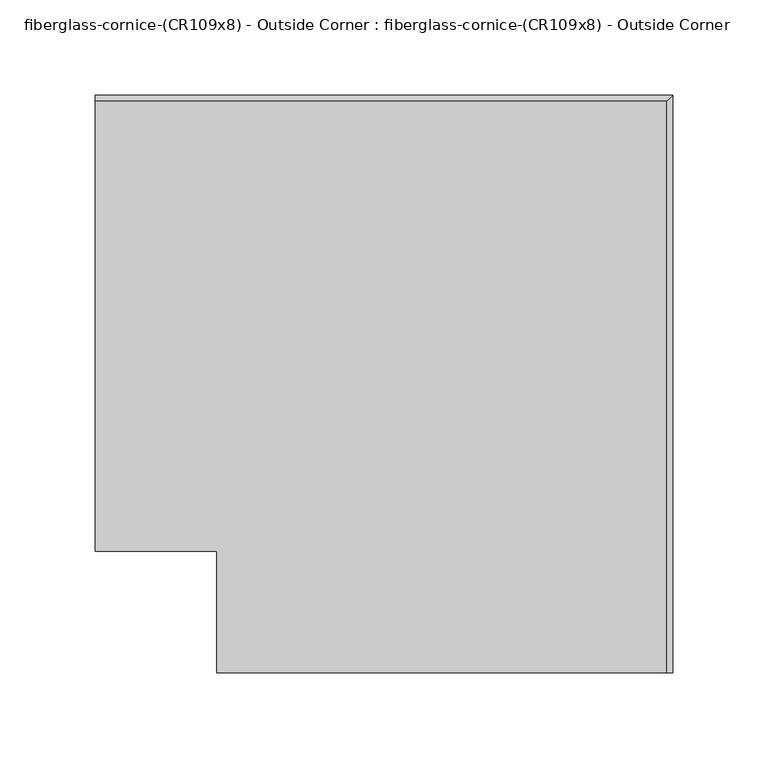
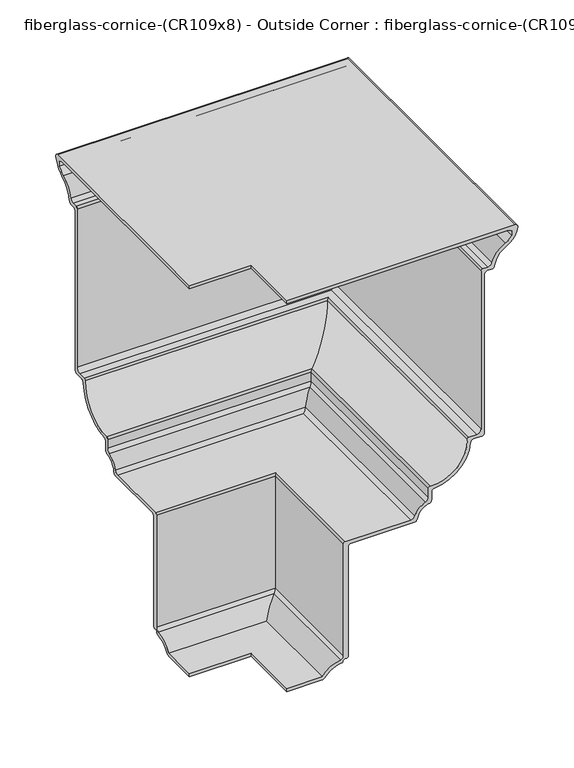
"""IFC4 building model written with IfcOpenShell, lengths in millimetres: furniture geometry, fiberglass-cornice-(CR109x8) - Outside Corner : fiberglass-cornice-(CR109x8) - Outside Corner."""

from ifc_helpers import new_model, si_unit, frame, origin, place, context, project, spatial, polyline, circle_curve, ellipse_curve, source, transform, mapped, element, save
from ifc_brep_helpers import plane_surface, cylinder_surface, revolved_surface, advanced_brep


def fiberglass_cornice_cr109x8_outside_corner_fiberglass_cornice_5d66f3e0(model_context):
    return source(origin(), model_context, "Body", "AdvancedBrep", [
        advanced_brep(
        [(-196.9488213, 101.6, 330.1999904), (-196.9488213, 337.5936981, 330.1999904), (-196.9488213, 340.704306, 326.4317504), (-196.9488213, 329.0690578, 310.4524332), (-196.9488213, 316.4333505, 293.0594054), (-196.9488213, 313.2980899, 290.3851709), (-196.9488213, 309.251462, 290.3851606), (-196.9488213, 306.0683895, 287.2101709), (-196.9488213, 306.0682503, 114.5703226), (-196.9488213, 302.9001636, 111.4250608), (-196.9488213, 294.7724548, 111.4250608), (-196.9488213, 291.6074181, 108.502199), (-196.9488213, 254.3535995, 71.7000635), (-196.9488213, 251.3921944, 68.5105201), (-196.9488213, 251.3921944, 60.0647517), (-196.9488213, 248.7930949, 56.9424353), (-196.9488213, 236.7130273, 44.5595221), (-196.9488213, 233.5774063, 41.8830253), (-196.9488213, 168.3820008, 41.8830253), (-196.9488213, 165.2072159, 38.6710672), (-196.9488213, 165.2072159, -80.7520933), (-196.9488213, 163.6206151, -82.3395923), (-196.9488213, 161.4803957, -82.3395923), (-196.9488213, 159.8919814, -83.9885744), (-196.9488213, 158.4675566, -85.6292824), (-196.9488213, 141.1346308, -95.8419813), (-196.9488213, 138.5287162, -97.2031914), (-196.9488213, 101.6, -97.2031914), (-196.9488213, 101.6, -93.7106914), (-196.9488213, 138.3634782, -93.7106914), (-196.9488213, 157.5332035, -82.2204248), (-196.9488213, 160.3944984, -78.7939943), (-196.9488213, 160.3944984, 43.4705205), (-196.9488213, 162.2995165, 45.3755253), (-196.9488213, 229.8973546, 45.3755297), (-196.9488213, 234.0837271, 48.3440768), (-196.9488213, 245.0169938, 59.5045897), (-196.9488213, 247.89962, 63.6659613), (-196.9488213, 247.899839, 73.2126254), (-196.9488213, 249.8963796, 75.1443007), (-196.9488213, 288.2197195, 112.9468366), (-196.9488213, 290.1271402, 114.9175502), (-196.9488213, 298.1308189, 114.9175502), (-196.9488213, 302.5758895, 119.3625536), (-196.9488213, 302.5758949, 291.977227), (-196.9488213, 304.4761467, 293.877665), (-196.9488213, 309.5062462, 293.877665), (-196.9488213, 313.7678753, 297.058719), (-196.9488213, 327.4334153, 313.5386179), (-196.9488213, 334.2664711, 319.778644), (-196.9488213, 330.5802161, 326.7075017), (-196.9488213, 101.6, 326.7075159), (-133.3496026, 38.0007813, 330.1999904), (-133.3496026, 38.0007813, 326.7075159), (95.6304618, 38.0007813, 326.7075159), (99.3168685, 38.0007813, 319.778644), (92.4838127, 38.0007813, 313.5386179), (78.8182727, 38.0007813, 297.058719), (74.5567647, 38.0007813, 293.8776709), (69.5265441, 38.0007813, 293.877665), (67.6262923, 38.0007813, 291.977227), (67.6262923, 38.0007813, 119.3625517), (63.1812869, 38.0007813, 114.9175536), (55.1775376, 38.0007813, 114.9175502), (53.2701169, 38.0007813, 112.9468366), (14.946777, 38.0007813, 75.1443007), (12.9502364, 38.0007813, 73.2126254), (12.9502364, 38.0007813, 63.66596), (10.0673912, 38.0007813, 59.5045897), (-0.8658755, 38.0007813, 48.3440768), (-5.052248, 38.0007813, 45.3755297), (-72.6501397, 38.0007813, 45.3755297), (-74.5550861, 38.0007813, 43.4705253), (-74.5551042, 38.0007813, -78.7939943), (-77.4163991, 38.0007813, -82.2204248), (-96.5861244, 38.0007813, -93.7106914), (-133.3496026, 38.0007813, -93.7106914), (-133.3496026, 38.0007813, -97.2031914), (-96.4208864, 38.0007813, -97.2031914), (-93.8149718, 38.0007813, -95.8419813), (-76.482046, 38.0007813, -85.6292824), (-75.0576212, 38.0007813, -83.9885744), (-73.4692069, 38.0007813, -82.3395923), (-71.3289875, 38.0007813, -82.3395923), (-69.7426018, 38.0007813, -80.7520927), (-69.7423867, 38.0007813, 38.6710672), (-66.5676018, 38.0007813, 41.8830253), (-1.3721963, 38.0007813, 41.8830253), (1.7634247, 38.0007813, 44.5595221), (13.8434923, 38.0007813, 56.9424353), (16.4425174, 38.0007813, 60.0647546), (16.4425918, 38.0007813, 68.5105201), (19.4039969, 38.0007813, 71.7000635), (56.6578155, 38.0007813, 108.502199), (59.8227875, 38.0007813, 111.4250536), (67.950561, 38.0007813, 111.4250608), (71.1186477, 38.0007813, 114.5703226), (71.1186477, 38.0007813, 287.2101702), (74.3018594, 38.0007813, 290.3851606), (78.3484527, 38.0007813, 290.3851606), (81.4837479, 38.0007813, 293.0594054), (94.1194552, 38.0007813, 310.4524332), (105.7547034, 38.0007813, 326.4317504), (102.6440955, 38.0007813, 330.1999904), (-133.3496026, 101.6, 330.1999904), (102.6440955, 337.5936981, 330.1999904), (105.7547034, 340.704306, 326.4317504), (94.1194552, 329.0690578, 310.4524332), (81.4837479, 316.4333505, 293.0594054), (78.3484873, 313.2980899, 290.3851709), (74.3018594, 309.251462, 290.3851606), (71.1187869, 306.0683895, 287.2101709), (71.1186477, 306.0682503, 114.5703226), (67.950561, 302.9001636, 111.4250608), (59.8227875, 294.7723901, 111.4250608), (56.6578155, 291.6074181, 108.502199), (19.4039969, 254.3535995, 71.7000635), (16.4425918, 251.3921944, 68.5105201), (16.4425918, 251.3921944, 60.0647517), (13.8434923, 248.7930949, 56.9424353), (1.7634247, 236.7130273, 44.5595221), (-1.3721963, 233.5774063, 41.8830253), (-66.5676018, 168.3820008, 41.8830253), (-69.7423867, 165.2072159, 38.6710672), (-69.7423867, 165.2072159, -80.7520933), (-71.3289875, 163.6206151, -82.3395923), (-73.4692069, 161.4803957, -82.3395923), (-75.0576212, 159.8919814, -83.9885744), (-76.482046, 158.4675566, -85.6292824), (-93.8149718, 141.1346308, -95.8419813), (-96.4208864, 138.5287162, -97.2031914), (-133.3496026, 101.6, -97.2031914), (-133.3496026, 101.6, -93.7106914), (-96.5861244, 138.3634782, -93.7106914), (-77.4163991, 157.5332035, -82.2204248), (-74.5551042, 160.3944984, -78.7939943), (-74.5551042, 160.3944984, 43.4705205), (-72.6500861, 162.2995165, 45.3755253), (-5.052248, 229.8973546, 45.3755297), (-0.8658755, 234.0837271, 48.3440768), (10.0673912, 245.0169938, 59.5045897), (12.9500174, 247.89962, 63.6659613), (12.9502364, 247.899839, 73.2126254), (14.946777, 249.8963796, 75.1443007), (53.2701169, 288.2197195, 112.9468366), (55.1775376, 290.1271402, 114.9175502), (63.1812869, 298.1308895, 114.9175502), (67.6262869, 302.5758895, 119.3625536), (67.6262923, 302.5758949, 291.977227), (69.5265441, 304.4761467, 293.877665), (74.5567647, 309.5063673, 293.877665), (78.8182727, 313.7678753, 297.058719), (92.4838127, 327.4334153, 313.5386179), (99.3168685, 334.2664711, 319.778644), (95.6306135, 330.5802161, 326.7075017), (-133.3496026, 101.6, 326.7075159)],
        [
            (0, 1),
            (1, 2, circle_curve(frame((-196.9488213, 337.5852232, 327.0250017), z_axis=(-1.0, 0.0, 0.0), x_axis=(0.0, 1.0, 0.0)), 3.175)),
            (2, 3, circle_curve(frame((-196.9488213, 317.9775256, 330.754397), z_axis=(-1.0, 0.0, 0.0), x_axis=(0.0, 1.0, 0.0)), 23.1342132)),
            (3, 4, circle_curve(frame((-196.9488213, 339.8759019, 289.3151486), z_axis=(1.0, 0.0, 0.0), x_axis=(0.0, 1.0, 0.0)), 23.7396857)),
            (4, 5, circle_curve(frame((-196.9488213, 313.2980899, 293.5601709), z_axis=(-1.0, 0.0, 0.0), x_axis=(0.0, 1.0, 0.0)), 3.175)),
            (5, 6),
            (6, 7, circle_curve(frame((-196.9488213, 309.2433895, 287.2101709), z_axis=(1.0, 0.0, 0.0), x_axis=(0.0, 1.0, 0.0)), 3.175)),
            (7, 8),
            (8, 9, circle_curve(frame((-196.9488213, 302.8933895, 114.6000536), z_axis=(-1.0, 0.0, 0.0), x_axis=(0.0, 1.0, 0.0)), 3.175)),
            (9, 10),
            (10, 11, circle_curve(frame((-196.9488213, 294.7723901, 108.2500536), z_axis=(1.0, 0.0, 0.0), x_axis=(0.0, 1.0, 0.0)), 3.175)),
            (11, 12, circle_curve(frame((-196.9488213, 251.658501, 111.6848301), z_axis=(-1.0, 0.0, 0.0), x_axis=(0.0, 1.0, 0.0)), 40.0754927)),
            (12, 13, circle_curve(frame((-196.9488213, 254.56712, 68.5322513), z_axis=(1.0, 0.0, 0.0), x_axis=(0.0, 1.0, 0.0)), 3.175)),
            (13, 14),
            (14, 15, circle_curve(frame((-196.9488213, 248.21712, 60.0647546), z_axis=(-1.0, 0.0, 0.0), x_axis=(0.0, 1.0, 0.0)), 3.175)),
            (15, 16, circle_curve(frame((-196.9488213, 251.5113672, 42.2068722), z_axis=(1.0, 0.0, 0.0), x_axis=(0.0, 1.0, 0.0)), 14.9841858)),
            (16, 17, circle_curve(frame((-196.9488213, 233.5774063, 45.0580253), z_axis=(-1.0, 0.0, 0.0), x_axis=(0.0, 1.0, 0.0)), 3.175)),
            (17, 18),
            (18, 19, circle_curve(frame((-196.9488213, 168.3820008, 38.7080253), z_axis=(1.0, 0.0, 0.0), x_axis=(0.0, 1.0, 0.0)), 3.175)),
            (19, 20),
            (20, 21, circle_curve(frame((-196.9488213, 163.6195008, -80.7520927), z_axis=(-1.0, 0.0, 0.0), x_axis=(0.0, 1.0, 0.0)), 1.5875)),
            (21, 22),
            (22, 23, circle_curve(frame((-196.9488213, 161.4782903, -83.9270909), z_axis=(1.0, 0.0, 0.0), x_axis=(0.0, 1.0, 0.0)), 1.5875)),
            (23, 24, circle_curve(frame((-196.9488213, 158.3056724, -84.050058), z_axis=(-1.0, 0.0, 0.0), x_axis=(0.0, 1.0, 0.0)), 1.5875)),
            (24, 25, circle_curve(frame((-196.9488213, 160.9265808, -109.6177358), z_axis=(1.0, 0.0, 0.0), x_axis=(0.0, 1.0, 0.0)), 24.1141597)),
            (25, 26, circle_curve(frame((-196.9488213, 138.5287162, -94.0281914), z_axis=(-1.0, 0.0, 0.0), x_axis=(0.0, 1.0, 0.0)), 3.175)),
            (26, 27),
            (27, 28),
            (28, 29),
            (29, 30, circle_curve(frame((-196.9488213, 160.9265808, -109.6177358), z_axis=(-1.0, 0.0, 0.0), x_axis=(0.0, 1.0, 0.0)), 27.6066597)),
            (30, 31, circle_curve(frame((-196.9488213, 156.8988131, -78.7827671), z_axis=(1.0, 0.0, 0.0), x_axis=(0.0, 1.0, 0.0)), 3.4957034)),
            (31, 32),
            (32, 33, circle_curve(frame((-196.9488213, 162.2995165, 43.4705253), z_axis=(-1.0, 0.0, 0.0), x_axis=(0.0, 1.0, 0.0)), 1.905)),
            (33, 34),
            (34, 35, circle_curve(frame((-196.9488213, 229.8910997, 49.8205253), z_axis=(1.0, 0.0, 0.0), x_axis=(0.0, 1.0, 0.0)), 4.445)),
            (35, 36, circle_curve(frame((-196.9488213, 251.5113672, 42.2068722), z_axis=(-1.0, 0.0, 0.0), x_axis=(0.0, 1.0, 0.0)), 18.4766858)),
            (36, 37, circle_curve(frame((-196.9488213, 243.45462, 63.6659613), z_axis=(1.0, 0.0, 0.0), x_axis=(0.0, 1.0, 0.0)), 4.445)),
            (37, 38),
            (38, 39, circle_curve(frame((-196.9488213, 249.80462, 73.2415119), z_axis=(-1.0, 0.0, 0.0), x_axis=(0.0, 1.0, 0.0)), 1.905)),
            (39, 40, circle_curve(frame((-196.9488213, 251.658501, 111.6848301), z_axis=(1.0, 0.0, 0.0), x_axis=(0.0, 1.0, 0.0)), 36.5829927)),
            (40, 41, circle_curve(frame((-196.9488213, 290.1235856, 113.0125536), z_axis=(-1.0, 0.0, 0.0), x_axis=(0.0, 1.0, 0.0)), 1.905)),
            (41, 42),
            (42, 43, circle_curve(frame((-196.9488213, 298.1308895, 119.3625536), z_axis=(1.0, 0.0, 0.0), x_axis=(0.0, 1.0, 0.0)), 4.445)),
            (43, 44),
            (44, 45, circle_curve(frame((-196.9488213, 304.4808895, 291.9726709), z_axis=(-1.0, 0.0, 0.0), x_axis=(0.0, 1.0, 0.0)), 1.905)),
            (45, 46),
            (46, 47, circle_curve(frame((-196.9488213, 309.5063673, 298.3226709), z_axis=(1.0, 0.0, 0.0), x_axis=(0.0, 1.0, 0.0)), 4.445)),
            (47, 48, circle_curve(frame((-196.9488213, 339.8759019, 289.3151486), z_axis=(-1.0, 0.0, 0.0), x_axis=(0.0, 1.0, 0.0)), 27.2321857)),
            (48, 49, circle_curve(frame((-196.9488213, 317.9775256, 330.754397), z_axis=(1.0, 0.0, 0.0), x_axis=(0.0, 1.0, 0.0)), 19.6417132)),
            (49, 50, circle_curve(frame((-196.9488213, 330.5802161, 322.2625017), z_axis=(1.0, 0.0, 0.0), x_axis=(0.0, 1.0, 0.0)), 4.445)),
            (50, 51),
            (51, 0),
            (52, 53),
            (53, 54),
            (54, 55, circle_curve(frame((95.6306135, 38.0007813, 322.2625017), z_axis=(0.0, 1.0, 0.0), x_axis=(1.0, 0.0, 0.0)), 4.445)),
            (55, 56, circle_curve(frame((83.027923, 38.0007813, 330.754397), z_axis=(0.0, 1.0, 0.0), x_axis=(1.0, 0.0, 0.0)), 19.6417132)),
            (56, 57, circle_curve(frame((104.9262993, 38.0007813, 289.3151486), z_axis=(0.0, -1.0, 0.0), x_axis=(1.0, 0.0, 0.0)), 27.2321857)),
            (57, 58, circle_curve(frame((74.5567647, 38.0007813, 298.3226709), z_axis=(0.0, 1.0, 0.0), x_axis=(1.0, 0.0, 0.0)), 4.445)),
            (58, 59),
            (59, 60, circle_curve(frame((69.5312869, 38.0007813, 291.9726709), z_axis=(0.0, -1.0, 0.0), x_axis=(1.0, 0.0, 0.0)), 1.905)),
            (60, 61),
            (61, 62, circle_curve(frame((63.1812869, 38.0007813, 119.3625536), z_axis=(0.0, 1.0, 0.0), x_axis=(1.0, 0.0, 0.0)), 4.445)),
            (62, 63),
            (63, 64, circle_curve(frame((55.173983, 38.0007813, 113.0125536), z_axis=(0.0, -1.0, 0.0), x_axis=(1.0, 0.0, 0.0)), 1.905)),
            (64, 65, circle_curve(frame((16.7088984, 38.0007813, 111.6848301), z_axis=(0.0, 1.0, 0.0), x_axis=(1.0, 0.0, 0.0)), 36.5829927)),
            (65, 66, circle_curve(frame((14.8550174, 38.0007813, 73.2415119), z_axis=(0.0, -1.0, 0.0), x_axis=(1.0, 0.0, 0.0)), 1.905)),
            (66, 67),
            (67, 68, circle_curve(frame((8.5050174, 38.0007813, 63.6659613), z_axis=(0.0, 1.0, 0.0), x_axis=(1.0, 0.0, 0.0)), 4.445)),
            (68, 69, circle_curve(frame((16.5617646, 38.0007813, 42.2068722), z_axis=(0.0, -1.0, 0.0), x_axis=(1.0, 0.0, 0.0)), 18.4766858)),
            (69, 70, circle_curve(frame((-5.0585029, 38.0007813, 49.8205253), z_axis=(0.0, 1.0, 0.0), x_axis=(1.0, 0.0, 0.0)), 4.445)),
            (70, 71),
            (71, 72, circle_curve(frame((-72.6500861, 38.0007813, 43.4705253), z_axis=(0.0, -1.0, 0.0), x_axis=(1.0, 0.0, 0.0)), 1.905)),
            (72, 73),
            (73, 74, circle_curve(frame((-78.0507895, 38.0007813, -78.7827671), z_axis=(0.0, 1.0, 0.0), x_axis=(1.0, 0.0, 0.0)), 3.4957034)),
            (74, 75, circle_curve(frame((-74.0230218, 38.0007813, -109.6177358), z_axis=(0.0, -1.0, 0.0), x_axis=(1.0, 0.0, 0.0)), 27.6066597)),
            (75, 76),
            (76, 77),
            (77, 78),
            (78, 79, circle_curve(frame((-96.4208864, 38.0007813, -94.0281914), z_axis=(0.0, -1.0, 0.0), x_axis=(1.0, 0.0, 0.0)), 3.175)),
            (79, 80, circle_curve(frame((-74.0230218, 38.0007813, -109.6177358), z_axis=(0.0, 1.0, 0.0), x_axis=(1.0, 0.0, 0.0)), 24.1141597)),
            (80, 81, circle_curve(frame((-76.6439302, 38.0007813, -84.050058), z_axis=(0.0, -1.0, 0.0), x_axis=(1.0, 0.0, 0.0)), 1.5875)),
            (81, 82, circle_curve(frame((-73.4713123, 38.0007813, -83.9270909), z_axis=(0.0, 1.0, 0.0), x_axis=(1.0, 0.0, 0.0)), 1.5875)),
            (82, 83),
            (83, 84, circle_curve(frame((-71.3301018, 38.0007813, -80.7520927), z_axis=(0.0, -1.0, 0.0), x_axis=(1.0, 0.0, 0.0)), 1.5875)),
            (84, 85),
            (85, 86, circle_curve(frame((-66.5676018, 38.0007813, 38.7080253), z_axis=(0.0, 1.0, 0.0), x_axis=(1.0, 0.0, 0.0)), 3.175)),
            (86, 87),
            (87, 88, circle_curve(frame((-1.3721963, 38.0007813, 45.0580253), z_axis=(0.0, -1.0, 0.0), x_axis=(1.0, 0.0, 0.0)), 3.175)),
            (88, 89, circle_curve(frame((16.5617646, 38.0007813, 42.2068722), z_axis=(0.0, 1.0, 0.0), x_axis=(1.0, 0.0, 0.0)), 14.9841858)),
            (89, 90, circle_curve(frame((13.2675174, 38.0007813, 60.0647546), z_axis=(0.0, -1.0, 0.0), x_axis=(1.0, 0.0, 0.0)), 3.175)),
            (90, 91),
            (91, 92, circle_curve(frame((19.6175174, 38.0007813, 68.5322513), z_axis=(0.0, 1.0, 0.0), x_axis=(1.0, 0.0, 0.0)), 3.175)),
            (92, 93, circle_curve(frame((16.7088984, 38.0007813, 111.6848301), z_axis=(0.0, -1.0, 0.0), x_axis=(1.0, 0.0, 0.0)), 40.0754927)),
            (93, 94, circle_curve(frame((59.8227875, 38.0007813, 108.2500536), z_axis=(0.0, 1.0, 0.0), x_axis=(1.0, 0.0, 0.0)), 3.175)),
            (94, 95),
            (95, 96, circle_curve(frame((67.9437869, 38.0007813, 114.6000536), z_axis=(0.0, -1.0, 0.0), x_axis=(1.0, 0.0, 0.0)), 3.175)),
            (96, 97),
            (97, 98, circle_curve(frame((74.2937869, 38.0007813, 287.2101709), z_axis=(0.0, 1.0, 0.0), x_axis=(1.0, 0.0, 0.0)), 3.175)),
            (98, 99),
            (99, 100, circle_curve(frame((78.3484873, 38.0007813, 293.5601709), z_axis=(0.0, -1.0, 0.0), x_axis=(1.0, 0.0, 0.0)), 3.175)),
            (100, 101, circle_curve(frame((104.9262993, 38.0007813, 289.3151486), z_axis=(0.0, 1.0, 0.0), x_axis=(1.0, 0.0, 0.0)), 23.7396857)),
            (101, 102, circle_curve(frame((83.027923, 38.0007813, 330.754397), z_axis=(0.0, -1.0, 0.0), x_axis=(1.0, 0.0, 0.0)), 23.1342132)),
            (102, 103, circle_curve(frame((102.6356206, 38.0007813, 327.0250017), z_axis=(0.0, -1.0, 0.0), x_axis=(1.0, 0.0, 0.0)), 3.175)),
            (103, 52),
            (0, 104),
            (104, 52),
            (103, 105),
            (105, 1),
            (105, 106, ellipse_curve(frame((102.6356206, 337.5852232, 327.0250017), z_axis=(-0.7071067811865563, 0.7071067811865387, 0.0), x_axis=(-0.7071067811865387, -0.7071067811865565, 0.0)), 4.4901281, 3.175)),
            (106, 2),
            (106, 107, ellipse_curve(frame((83.027923, 317.9775256, 330.754397), z_axis=(-0.7071067811865563, 0.7071067811865387, 0.0), x_axis=(-0.7071067811865387, -0.7071067811865565, 0.0)), 32.7167181, 23.1342132)),
            (107, 3),
            (107, 108, ellipse_curve(frame((104.9262993, 339.8759019, 289.3151486), z_axis=(0.7071067811865563, -0.7071067811865387, 0.0), x_axis=(0.7071067811865387, 0.7071067811865565, 0.0)), 33.5729855, 23.7396857)),
            (108, 4),
            (108, 109, ellipse_curve(frame((78.3484873, 313.2980899, 293.5601709), z_axis=(-0.7071067811865563, 0.7071067811865387, 0.0), x_axis=(-0.7071067811865387, -0.7071067811865565, 0.0)), 4.4901281, 3.175)),
            (109, 5),
            (109, 99),
            (98, 110),
            (110, 6),
            (110, 111, ellipse_curve(frame((74.2937869, 309.2433895, 287.2101709), z_axis=(0.7071067811865563, -0.7071067811865387, 0.0), x_axis=(0.7071067811865387, 0.7071067811865565, 0.0)), 4.4901281, 3.175)),
            (111, 7),
            (111, 112),
            (112, 8),
            (112, 113, ellipse_curve(frame((67.9437869, 302.8933895, 114.6000536), z_axis=(-0.7071067811865563, 0.7071067811865387, 0.0), x_axis=(-0.7071067811865387, -0.7071067811865565, 0.0)), 4.4901281, 3.175)),
            (113, 9),
            (113, 95),
            (94, 114),
            (114, 10),
            (114, 115, ellipse_curve(frame((59.8227875, 294.7723901, 108.2500536), z_axis=(0.7071067811865563, -0.7071067811865387, 0.0), x_axis=(0.7071067811865387, 0.7071067811865565, 0.0)), 4.4901281, 3.175)),
            (115, 11),
            (115, 116, ellipse_curve(frame((16.7088984, 251.658501, 111.6848301), z_axis=(-0.7071067811865563, 0.7071067811865387, 0.0), x_axis=(-0.7071067811865387, -0.7071067811865565, 0.0)), 56.6753053, 40.0754927)),
            (116, 12),
            (116, 117, ellipse_curve(frame((19.6175174, 254.56712, 68.5322513), z_axis=(0.7071067811865563, -0.7071067811865387, 0.0), x_axis=(0.7071067811865387, 0.7071067811865565, 0.0)), 4.4901281, 3.175)),
            (117, 13),
            (117, 118),
            (118, 14),
            (118, 119, ellipse_curve(frame((13.2675174, 248.21712, 60.0647546), z_axis=(-0.7071067811865563, 0.7071067811865387, 0.0), x_axis=(-0.7071067811865387, -0.7071067811865565, 0.0)), 4.4901281, 3.175)),
            (119, 15),
            (119, 120, ellipse_curve(frame((16.5617646, 251.5113672, 42.2068722), z_axis=(0.7071067811865563, -0.7071067811865387, 0.0), x_axis=(0.7071067811865387, 0.7071067811865565, 0.0)), 21.1908387, 14.9841858)),
            (120, 16),
            (120, 121, ellipse_curve(frame((-1.3721963, 233.5774063, 45.0580253), z_axis=(-0.7071067811865563, 0.7071067811865387, 0.0), x_axis=(-0.7071067811865387, -0.7071067811865565, 0.0)), 4.4901281, 3.175)),
            (121, 17),
            (121, 87),
            (86, 122),
            (122, 18),
            (122, 123, ellipse_curve(frame((-66.5676018, 168.3820008, 38.7080253), z_axis=(0.7071067811865563, -0.7071067811865387, 0.0), x_axis=(0.7071067811865387, 0.7071067811865565, 0.0)), 4.4901281, 3.175)),
            (123, 19),
            (123, 124),
            (124, 20),
            (124, 125, ellipse_curve(frame((-71.3301018, 163.6195008, -80.7520927), z_axis=(-0.7071067811865563, 0.7071067811865387, 0.0), x_axis=(-0.7071067811865387, -0.7071067811865565, 0.0)), 2.245064, 1.5875)),
            (125, 21),
            (125, 83),
            (82, 126),
            (126, 22),
            (126, 127, ellipse_curve(frame((-73.4713123, 161.4782903, -83.9270909), z_axis=(0.7071067811865563, -0.7071067811865387, 0.0), x_axis=(0.7071067811865387, 0.7071067811865565, 0.0)), 2.245064, 1.5875)),
            (127, 23),
            (127, 128, ellipse_curve(frame((-76.6439302, 158.3056724, -84.050058), z_axis=(-0.7071067811865563, 0.7071067811865387, 0.0), x_axis=(-0.7071067811865387, -0.7071067811865565, 0.0)), 2.245064, 1.5875)),
            (128, 24),
            (128, 129, ellipse_curve(frame((-74.0230218, 160.9265808, -109.6177358), z_axis=(0.7071067811865563, -0.7071067811865387, 0.0), x_axis=(0.7071067811865387, 0.7071067811865565, 0.0)), 34.1025717, 24.1141597)),
            (129, 25),
            (129, 130, ellipse_curve(frame((-96.4208864, 138.5287162, -94.0281914), z_axis=(-0.7071067811865563, 0.7071067811865387, 0.0), x_axis=(-0.7071067811865387, -0.7071067811865565, 0.0)), 4.4901281, 3.175)),
            (130, 26),
            (130, 78),
            (77, 131),
            (131, 27),
            (131, 132),
            (132, 28),
            (132, 76),
            (75, 133),
            (133, 29),
            (133, 134, ellipse_curve(frame((-74.0230218, 160.9265808, -109.6177358), z_axis=(-0.7071067811865563, 0.7071067811865387, 0.0), x_axis=(-0.7071067811865387, -0.7071067811865565, 0.0)), 39.0417125, 27.6066597)),
            (134, 30),
            (134, 135, ellipse_curve(frame((-78.0507895, 156.8988131, -78.7827671), z_axis=(0.7071067811865563, -0.7071067811865387, 0.0), x_axis=(0.7071067811865387, 0.7071067811865565, 0.0)), 4.9436711, 3.4957034)),
            (135, 31),
            (135, 136),
            (136, 32),
            (136, 137, ellipse_curve(frame((-72.6500861, 162.2995165, 43.4705253), z_axis=(-0.7071067811865563, 0.7071067811865387, 0.0), x_axis=(-0.7071067811865387, -0.7071067811865565, 0.0)), 2.6940768, 1.905)),
            (137, 33),
            (137, 71),
            (70, 138),
            (138, 34),
            (138, 139, ellipse_curve(frame((-5.0585029, 229.8910997, 49.8205253), z_axis=(0.7071067811865563, -0.7071067811865387, 0.0), x_axis=(0.7071067811865387, 0.7071067811865565, 0.0)), 6.2861793, 4.445)),
            (139, 35),
            (139, 140, ellipse_curve(frame((16.5617646, 251.5113672, 42.2068722), z_axis=(-0.7071067811865563, 0.7071067811865387, 0.0), x_axis=(-0.7071067811865387, -0.7071067811865565, 0.0)), 26.1299796, 18.4766858)),
            (140, 36),
            (140, 141, ellipse_curve(frame((8.5050174, 243.45462, 63.6659613), z_axis=(0.7071067811865563, -0.7071067811865387, 0.0), x_axis=(0.7071067811865387, 0.7071067811865565, 0.0)), 6.2861793, 4.445)),
            (141, 37),
            (141, 142),
            (142, 38),
            (142, 143, ellipse_curve(frame((14.8550174, 249.80462, 73.2415119), z_axis=(-0.7071067811865563, 0.7071067811865387, 0.0), x_axis=(-0.7071067811865387, -0.7071067811865565, 0.0)), 2.6940768, 1.905)),
            (143, 39),
            (143, 144, ellipse_curve(frame((16.7088984, 251.658501, 111.6848301), z_axis=(0.7071067811865563, -0.7071067811865387, 0.0), x_axis=(0.7071067811865387, 0.7071067811865565, 0.0)), 51.7361644, 36.5829927)),
            (144, 40),
            (144, 145, ellipse_curve(frame((55.173983, 290.1235856, 113.0125536), z_axis=(-0.7071067811865563, 0.7071067811865387, 0.0), x_axis=(-0.7071067811865387, -0.7071067811865565, 0.0)), 2.6940768, 1.905)),
            (145, 41),
            (145, 63),
            (62, 146),
            (146, 42),
            (146, 147, ellipse_curve(frame((63.1812869, 298.1308895, 119.3625536), z_axis=(0.7071067811865563, -0.7071067811865387, 0.0), x_axis=(0.7071067811865387, 0.7071067811865565, 0.0)), 6.2861793, 4.445)),
            (147, 43),
            (147, 148),
            (148, 44),
            (148, 149, ellipse_curve(frame((69.5312869, 304.4808895, 291.9726709), z_axis=(-0.7071067811865563, 0.7071067811865387, 0.0), x_axis=(-0.7071067811865387, -0.7071067811865565, 0.0)), 2.6940768, 1.905)),
            (149, 45),
            (149, 59),
            (58, 150),
            (150, 46),
            (150, 151, ellipse_curve(frame((74.5567647, 309.5063673, 298.3226709), z_axis=(0.7071067811865563, -0.7071067811865387, 0.0), x_axis=(0.7071067811865387, 0.7071067811865565, 0.0)), 6.2861793, 4.445)),
            (151, 47),
            (151, 152, ellipse_curve(frame((104.9262993, 339.8759019, 289.3151486), z_axis=(-0.7071067811865563, 0.7071067811865387, 0.0), x_axis=(-0.7071067811865387, -0.7071067811865565, 0.0)), 38.5121263, 27.2321857)),
            (152, 48),
            (152, 153, ellipse_curve(frame((83.027923, 317.9775256, 330.754397), z_axis=(0.7071067811865563, -0.7071067811865387, 0.0), x_axis=(0.7071067811865387, 0.7071067811865565, 0.0)), 27.7775772, 19.6417132)),
            (153, 49),
            (153, 154, ellipse_curve(frame((95.6306135, 330.5802161, 322.2625017), z_axis=(0.7071067811865563, -0.7071067811865387, 0.0), x_axis=(0.7071067811865387, 0.7071067811865565, 0.0)), 6.2861793, 4.445)),
            (154, 50),
            (154, 54),
            (53, 155),
            (155, 51),
            (155, 104),
            (102, 106),
            (101, 107),
            (100, 108),
            (97, 111),
            (96, 112),
            (93, 115),
            (92, 116),
            (91, 117),
            (90, 118),
            (89, 119),
            (88, 120),
            (85, 123),
            (84, 124),
            (81, 127),
            (80, 128),
            (79, 129),
            (74, 134),
            (73, 135),
            (72, 136),
            (69, 139),
            (68, 140),
            (67, 141),
            (66, 142),
            (65, 143),
            (64, 144),
            (61, 147),
            (60, 148),
            (57, 151),
            (56, 152),
            (55, 153),
        ],
        [
            plane_surface(frame((-196.9488213, 101.6, 330.1999904), z_axis=(-1.0, 0.0, 0.0), x_axis=(0.0, 0.0, 1.0))),
            plane_surface(frame((-133.3496026, 38.0007813, 330.1999904), z_axis=(0.0, -1.0, 0.0), x_axis=(0.0, 0.0, 1.0))),
            plane_surface(frame((-196.9488213, 101.6, 330.1999904), z_axis=(0.0, 0.0, 1.0), x_axis=(1.0, 0.0, 0.0))),
            cylinder_surface(frame((-196.9488213, 337.5852232, 327.0250017), z_axis=(-1.0, 0.0, 0.0), x_axis=(0.0, 1.0, 0.0)), 3.175),
            cylinder_surface(frame((-196.9488213, 317.9775256, 330.754397), z_axis=(-1.0, 0.0, 0.0), x_axis=(0.0, 1.0, 0.0)), 23.1342132),
            revolved_surface(polyline([(128.66598501172737, 363.61558759999997, 289.3151486), (-196.9488213, 363.61558759999997, 289.3151486)]), (-196.9488213, 339.8759019, 289.3151486), (1.0, 0.0, 0.0)),
            cylinder_surface(frame((-196.9488213, 313.2980899, 293.5601709), z_axis=(-1.0, 0.0, 0.0), x_axis=(0.0, 1.0, 0.0)), 3.175),
            plane_surface(frame((-196.9488213, 313.2980553, 290.3851606), z_axis=(0.0, 0.0, -1.0), x_axis=(1.0, 0.0, 0.0))),
            revolved_surface(polyline([(77.46878692790622, 312.4183895, 287.2101709), (-196.9488213, 312.4183895, 287.2101709)]), (-196.9488213, 309.2433895, 287.2101709), (1.0, 0.0, 0.0)),
            plane_surface(frame((-196.9488213, 306.0682503, 287.2101702), z_axis=(0.0, 1.0, 0.0), x_axis=(1.0, 0.0, 0.0))),
            cylinder_surface(frame((-196.9488213, 302.8933895, 114.6000536), z_axis=(-1.0, 0.0, 0.0), x_axis=(0.0, 1.0, 0.0)), 3.175),
            plane_surface(frame((-196.9488213, 302.9001636, 111.4250608), z_axis=(0.0, 0.0, -1.0), x_axis=(1.0, 0.0, 0.0))),
            revolved_surface(polyline([(62.99778752790618, 297.9473901, 108.2500536), (-196.9488213, 297.9473901, 108.2500536)]), (-196.9488213, 294.7723901, 108.2500536), (1.0, 0.0, 0.0)),
            cylinder_surface(frame((-196.9488213, 251.658501, 111.6848301), z_axis=(-1.0, 0.0, 0.0), x_axis=(0.0, 1.0, 0.0)), 40.0754927),
            revolved_surface(polyline([(22.792517427906233, 257.74212, 68.5322513), (-196.9488213, 257.74212, 68.5322513)]), (-196.9488213, 254.56712, 68.5322513), (1.0, 0.0, 0.0)),
            plane_surface(frame((-196.9488213, 251.3921944, 68.5105201), z_axis=(0.0, 1.0, 0.0), x_axis=(1.0, 0.0, 0.0))),
            cylinder_surface(frame((-196.9488213, 248.21712, 60.0647546), z_axis=(-1.0, 0.0, 0.0), x_axis=(0.0, 1.0, 0.0)), 3.175),
            revolved_surface(polyline([(31.545950343800143, 266.495553, 42.2068722), (-196.9488213, 266.495553, 42.2068722)]), (-196.9488213, 251.5113672, 42.2068722), (1.0, 0.0, 0.0)),
            cylinder_surface(frame((-196.9488213, 233.5774063, 45.0580253), z_axis=(-1.0, 0.0, 0.0), x_axis=(0.0, 1.0, 0.0)), 3.175),
            plane_surface(frame((-196.9488213, 233.5774063, 41.8830253), z_axis=(0.0, 0.0, -1.0), x_axis=(1.0, 0.0, 0.0))),
            revolved_surface(polyline([(-63.39260177209377, 171.5570008, 38.7080253), (-196.9488213, 171.5570008, 38.7080253)]), (-196.9488213, 168.3820008, 38.7080253), (1.0, 0.0, 0.0)),
            plane_surface(frame((-196.9488213, 165.2072159, 38.6710672), z_axis=(0.0, 1.0, 0.0), x_axis=(1.0, 0.0, 0.0))),
            cylinder_surface(frame((-196.9488213, 163.6195008, -80.7520927), z_axis=(-1.0, 0.0, 0.0), x_axis=(0.0, 1.0, 0.0)), 1.5875),
            plane_surface(frame((-196.9488213, 163.6206151, -82.3395923), z_axis=(0.0, 0.0, -1.0), x_axis=(1.0, 0.0, 0.0))),
            revolved_surface(polyline([(-71.88381232140222, 163.0657903, -83.9270909), (-196.9488213, 163.0657903, -83.9270909)]), (-196.9488213, 161.4782903, -83.9270909), (1.0, 0.0, 0.0)),
            cylinder_surface(frame((-196.9488213, 158.3056724, -84.050058), z_axis=(-1.0, 0.0, 0.0), x_axis=(0.0, 1.0, 0.0)), 1.5875),
            revolved_surface(polyline([(-49.90886209502986, 185.0407405, -109.6177358), (-196.9488213, 185.0407405, -109.6177358)]), (-196.9488213, 160.9265808, -109.6177358), (1.0, 0.0, 0.0)),
            cylinder_surface(frame((-196.9488213, 138.5287162, -94.0281914), z_axis=(-1.0, 0.0, 0.0), x_axis=(0.0, 1.0, 0.0)), 3.175),
            plane_surface(frame((-196.9488213, 138.5287162, -97.2031914), z_axis=(0.0, 0.0, -1.0), x_axis=(1.0, 0.0, 0.0))),
            plane_surface(frame((-196.9488213, 101.6, -97.2031914), z_axis=(0.0, -1.0, 0.0), x_axis=(1.0, 0.0, 0.0))),
            plane_surface(frame((-196.9488213, 101.6, -93.7106914), z_axis=(0.0, 0.0, 1.0), x_axis=(1.0, 0.0, 0.0))),
            cylinder_surface(frame((-196.9488213, 160.9265808, -109.6177358), z_axis=(-1.0, 0.0, 0.0), x_axis=(0.0, 1.0, 0.0)), 27.6066597),
            revolved_surface(polyline([(-74.55508614123409, 160.3945165, -78.7827671), (-196.9488213, 160.3945165, -78.7827671)]), (-196.9488213, 156.8988131, -78.7827671), (1.0, 0.0, 0.0)),
            plane_surface(frame((-196.9488213, 160.3944984, -78.7939943), z_axis=(0.0, -1.0, 0.0), x_axis=(1.0, 0.0, 0.0))),
            cylinder_surface(frame((-196.9488213, 162.2995165, 43.4705253), z_axis=(-1.0, 0.0, 0.0), x_axis=(0.0, 1.0, 0.0)), 1.905),
            plane_surface(frame((-196.9488213, 162.2994629, 45.3755297), z_axis=(0.0, 0.0, 1.0), x_axis=(1.0, 0.0, 0.0))),
            revolved_surface(polyline([(-0.6135028892155674, 234.3360997, 49.8205253), (-196.9488213, 234.3360997, 49.8205253)]), (-196.9488213, 229.8910997, 49.8205253), (1.0, 0.0, 0.0)),
            cylinder_surface(frame((-196.9488213, 251.5113672, 42.2068722), z_axis=(-1.0, 0.0, 0.0), x_axis=(0.0, 1.0, 0.0)), 18.4766858),
            revolved_surface(polyline([(12.950017410784454, 247.89962, 63.6659613), (-196.9488213, 247.89962, 63.6659613)]), (-196.9488213, 243.45462, 63.6659613), (1.0, 0.0, 0.0)),
            plane_surface(frame((-196.9488213, 247.899839, 63.66596), z_axis=(0.0, -1.0, 0.0), x_axis=(1.0, 0.0, 0.0))),
            cylinder_surface(frame((-196.9488213, 249.80462, 73.2415119), z_axis=(-1.0, 0.0, 0.0), x_axis=(0.0, 1.0, 0.0)), 1.905),
            revolved_surface(polyline([(53.291891079821596, 288.2414937, 111.6848301), (-196.9488213, 288.2414937, 111.6848301)]), (-196.9488213, 251.658501, 111.6848301), (1.0, 0.0, 0.0)),
            cylinder_surface(frame((-196.9488213, 290.1235856, 113.0125536), z_axis=(-1.0, 0.0, 0.0), x_axis=(0.0, 1.0, 0.0)), 1.905),
            plane_surface(frame((-196.9488213, 290.1271402, 114.9175502), z_axis=(0.0, 0.0, 1.0), x_axis=(1.0, 0.0, 0.0))),
            revolved_surface(polyline([(67.62628691078444, 302.5758895, 119.3625536), (-196.9488213, 302.5758895, 119.3625536)]), (-196.9488213, 298.1308895, 119.3625536), (1.0, 0.0, 0.0)),
            plane_surface(frame((-196.9488213, 302.5758949, 119.3625517), z_axis=(0.0, -1.0, 0.0), x_axis=(1.0, 0.0, 0.0))),
            cylinder_surface(frame((-196.9488213, 304.4808895, 291.9726709), z_axis=(-1.0, 0.0, 0.0), x_axis=(0.0, 1.0, 0.0)), 1.905),
            plane_surface(frame((-196.9488213, 304.4761467, 293.877665), z_axis=(0.0, 0.0, 1.0), x_axis=(1.0, 0.0, 0.0))),
            revolved_surface(polyline([(79.00176471078444, 313.9513673, 298.3226709), (-196.9488213, 313.9513673, 298.3226709)]), (-196.9488213, 309.5063673, 298.3226709), (1.0, 0.0, 0.0)),
            cylinder_surface(frame((-196.9488213, 339.8759019, 289.3151486), z_axis=(-1.0, 0.0, 0.0), x_axis=(0.0, 1.0, 0.0)), 27.2321857),
            revolved_surface(polyline([(102.66963620305259, 337.6192388, 330.754397), (-196.9488213, 337.6192388, 330.754397)]), (-196.9488213, 317.9775256, 330.754397), (1.0, 0.0, 0.0)),
            revolved_surface(polyline([(100.07561351078445, 335.02521609999997, 322.2625017), (-196.9488213, 335.02521609999997, 322.2625017)]), (-196.9488213, 330.5802161, 322.2625017), (1.0, 0.0, 0.0)),
            plane_surface(frame((-196.9488213, 330.5800644, 326.7075159), z_axis=(0.0, 0.0, -1.0), x_axis=(1.0, 0.0, 0.0))),
            plane_surface(frame((-196.9488213, 101.6, 326.7075159), z_axis=(0.0, -1.0, 0.0), x_axis=(1.0, 0.0, 0.0))),
            cylinder_surface(frame((102.6356206, 101.6, 327.0250017), z_axis=(0.0, 1.0, 0.0), x_axis=(1.0, 0.0, 0.0)), 3.175),
            cylinder_surface(frame((83.027923, 101.6, 330.754397), z_axis=(0.0, 1.0, 0.0), x_axis=(1.0, 0.0, 0.0)), 23.1342132),
            revolved_surface(polyline([(128.665985, 38.0007813, 289.3151486), (128.665985, 363.61558761172796, 289.3151486)]), (104.9262993, 101.6, 289.3151486), (0.0, -1.0, 0.0)),
            cylinder_surface(frame((78.3484873, 101.6, 293.5601709), z_axis=(0.0, 1.0, 0.0), x_axis=(1.0, 0.0, 0.0)), 3.175),
            revolved_surface(polyline([(77.4687869, 38.0007813, 287.2101709), (77.4687869, 312.4183895279063, 287.2101709)]), (74.2937869, 101.6, 287.2101709), (0.0, -1.0, 0.0)),
            plane_surface(frame((71.1186477, 306.0682503, 287.2101702), z_axis=(1.0, 0.0, 0.0), x_axis=(0.0, -1.0, 0.0))),
            cylinder_surface(frame((67.9437869, 101.6, 114.6000536), z_axis=(0.0, 1.0, 0.0), x_axis=(1.0, 0.0, 0.0)), 3.175),
            revolved_surface(polyline([(62.997787499999994, 38.0007813, 108.2500536), (62.997787499999994, 297.9473901279063, 108.2500536)]), (59.8227875, 101.6, 108.2500536), (0.0, -1.0, 0.0)),
            cylinder_surface(frame((16.7088984, 101.6, 111.6848301), z_axis=(0.0, 1.0, 0.0), x_axis=(1.0, 0.0, 0.0)), 40.0754927),
            revolved_surface(polyline([(22.7925174, 38.0007813, 68.5322513), (22.7925174, 257.7421200279063, 68.5322513)]), (19.6175174, 101.6, 68.5322513), (0.0, -1.0, 0.0)),
            plane_surface(frame((16.4425918, 251.3921944, 68.5105201), z_axis=(1.0, 0.0, 0.0), x_axis=(0.0, -1.0, 0.0))),
            cylinder_surface(frame((13.2675174, 101.6, 60.0647546), z_axis=(0.0, 1.0, 0.0), x_axis=(1.0, 0.0, 0.0)), 3.175),
            revolved_surface(polyline([(31.545950400000002, 38.0007813, 42.2068722), (31.545950400000002, 266.4955529438005, 42.2068722)]), (16.5617646, 101.6, 42.2068722), (0.0, -1.0, 0.0)),
            cylinder_surface(frame((-1.3721963, 101.6, 45.0580253), z_axis=(0.0, 1.0, 0.0), x_axis=(1.0, 0.0, 0.0)), 3.175),
            revolved_surface(polyline([(-63.39260180000001, 38.0007813, 38.7080253), (-63.39260180000001, 171.55700082790628, 38.7080253)]), (-66.5676018, 101.6, 38.7080253), (0.0, -1.0, 0.0)),
            plane_surface(frame((-69.7423867, 165.2072159, 38.6710672), z_axis=(1.0, 0.0, 0.0), x_axis=(0.0, -1.0, 0.0))),
            cylinder_surface(frame((-71.3301018, 101.6, -80.7520927), z_axis=(0.0, 1.0, 0.0), x_axis=(1.0, 0.0, 0.0)), 1.5875),
            revolved_surface(polyline([(-71.88381229999999, 38.0007813, -83.9270909), (-71.88381229999999, 163.0657902785978, -83.9270909)]), (-73.4713123, 101.6, -83.9270909), (0.0, -1.0, 0.0)),
            cylinder_surface(frame((-76.6439302, 101.6, -84.050058), z_axis=(0.0, 1.0, 0.0), x_axis=(1.0, 0.0, 0.0)), 1.5875),
            revolved_surface(polyline([(-49.90886209999999, 38.0007813, -109.6177358), (-49.90886209999999, 185.04074050497076, -109.6177358)]), (-74.0230218, 101.6, -109.6177358), (0.0, -1.0, 0.0)),
            cylinder_surface(frame((-96.4208864, 101.6, -94.0281914), z_axis=(0.0, 1.0, 0.0), x_axis=(1.0, 0.0, 0.0)), 3.175),
            plane_surface(frame((-133.3496026, 101.6, -97.2031914), z_axis=(-1.0, 0.0, 0.0), x_axis=(0.0, -1.0, 0.0))),
            cylinder_surface(frame((-74.0230218, 101.6, -109.6177358), z_axis=(0.0, 1.0, 0.0), x_axis=(1.0, 0.0, 0.0)), 27.6066597),
            revolved_surface(polyline([(-74.5550861, 38.0007813, -78.7827671), (-74.5550861, 160.39451645876602, -78.7827671)]), (-78.0507895, 101.6, -78.7827671), (0.0, -1.0, 0.0)),
            plane_surface(frame((-74.5551042, 160.3944984, -78.7939943), z_axis=(-1.0, 0.0, 0.0), x_axis=(0.0, -1.0, 0.0))),
            cylinder_surface(frame((-72.6500861, 101.6, 43.4705253), z_axis=(0.0, 1.0, 0.0), x_axis=(1.0, 0.0, 0.0)), 1.905),
            revolved_surface(polyline([(-0.6135028999999994, 38.0007813, 49.8205253), (-0.6135028999999994, 234.33609971078457, 49.8205253)]), (-5.0585029, 101.6, 49.8205253), (0.0, -1.0, 0.0)),
            cylinder_surface(frame((16.5617646, 101.6, 42.2068722), z_axis=(0.0, 1.0, 0.0), x_axis=(1.0, 0.0, 0.0)), 18.4766858),
            revolved_surface(polyline([(12.9500174, 38.0007813, 63.6659613), (12.9500174, 247.89962001078456, 63.6659613)]), (8.5050174, 101.6, 63.6659613), (0.0, -1.0, 0.0)),
            plane_surface(frame((12.9502364, 247.899839, 63.66596), z_axis=(-1.0, 0.0, 0.0), x_axis=(0.0, -1.0, 0.0))),
            cylinder_surface(frame((14.8550174, 101.6, 73.2415119), z_axis=(0.0, 1.0, 0.0), x_axis=(1.0, 0.0, 0.0)), 1.905),
            revolved_surface(polyline([(53.2918911, 38.0007813, 111.6848301), (53.2918911, 288.2414936798225, 111.6848301)]), (16.7088984, 101.6, 111.6848301), (0.0, -1.0, 0.0)),
            cylinder_surface(frame((55.173983, 101.6, 113.0125536), z_axis=(0.0, 1.0, 0.0), x_axis=(1.0, 0.0, 0.0)), 1.905),
            revolved_surface(polyline([(67.6262869, 38.0007813, 119.3625536), (67.6262869, 302.5758895107846, 119.3625536)]), (63.1812869, 101.6, 119.3625536), (0.0, -1.0, 0.0)),
            plane_surface(frame((67.6262923, 302.5758949, 119.3625517), z_axis=(-1.0, 0.0, 0.0), x_axis=(0.0, -1.0, 0.0))),
            cylinder_surface(frame((69.5312869, 101.6, 291.9726709), z_axis=(0.0, 1.0, 0.0), x_axis=(1.0, 0.0, 0.0)), 1.905),
            revolved_surface(polyline([(79.0017647, 38.0007813, 298.3226709), (79.0017647, 313.9513673107846, 298.3226709)]), (74.5567647, 101.6, 298.3226709), (0.0, -1.0, 0.0)),
            cylinder_surface(frame((104.9262993, 101.6, 289.3151486), z_axis=(0.0, 1.0, 0.0), x_axis=(1.0, 0.0, 0.0)), 27.2321857),
            revolved_surface(polyline([(102.6696362, 38.0007813, 330.754397), (102.6696362, 337.61923880305307, 330.754397)]), (83.027923, 101.6, 330.754397), (0.0, -1.0, 0.0)),
            revolved_surface(polyline([(100.0756135, 38.0007813, 322.2625017), (100.0756135, 335.0252161107845, 322.2625017)]), (95.6306135, 101.6, 322.2625017), (0.0, -1.0, 0.0)),
            plane_surface(frame((-133.3496026, 101.6, 326.7075159), z_axis=(-1.0, 0.0, 0.0), x_axis=(0.0, -1.0, 0.0))),
        ],
        [
            (0, [[1, 2, 3, 4, 5, 6, 7, 8, 9, 10, 11, 12, 13, 14, 15, 16, 17, 18, 19, 20, 21, 22, 23, 24, 25, 26, 27, 28, 29, 30, 31, 32, 33, 34, 35, 36, 37, 38, 39, 40, 41, 42, 43, 44, 45, 46, 47, 48, 49, 50, 51, 52]]),
            (1, [[53, 54, 55, 56, 57, 58, 59, 60, 61, 62, 63, 64, 65, 66, 67, 68, 69, 70, 71, 72, 73, 74, 75, 76, 77, 78, 79, 80, 81, 82, 83, 84, 85, 86, 87, 88, 89, 90, 91, 92, 93, 94, 95, 96, 97, 98, 99, 100, 101, 102, 103, 104]]),
            (2, [[-1, 105, 106, -104, 107, 108]]),
            (3, [[-2, -108, 109, 110]]),
            (4, [[-3, -110, 111, 112]]),
            (5, [[-4, -112, 113, 114]]),
            (6, [[-5, -114, 115, 116]]),
            (7, [[-6, -116, 117, -99, 118, 119]]),
            (8, [[-7, -119, 120, 121]]),
            (9, [[-8, -121, 122, 123]]),
            (10, [[-9, -123, 124, 125]]),
            (11, [[-10, -125, 126, -95, 127, 128]]),
            (12, [[-11, -128, 129, 130]]),
            (13, [[-12, -130, 131, 132]]),
            (14, [[-13, -132, 133, 134]]),
            (15, [[-14, -134, 135, 136]]),
            (16, [[-15, -136, 137, 138]]),
            (17, [[-16, -138, 139, 140]]),
            (18, [[-17, -140, 141, 142]]),
            (19, [[-18, -142, 143, -87, 144, 145]]),
            (20, [[-19, -145, 146, 147]]),
            (21, [[-20, -147, 148, 149]]),
            (22, [[-21, -149, 150, 151]]),
            (23, [[-22, -151, 152, -83, 153, 154]]),
            (24, [[-23, -154, 155, 156]]),
            (25, [[-24, -156, 157, 158]]),
            (26, [[-25, -158, 159, 160]]),
            (27, [[-26, -160, 161, 162]]),
            (28, [[-27, -162, 163, -78, 164, 165]]),
            (29, [[-28, -165, 166, 167]]),
            (30, [[-29, -167, 168, -76, 169, 170]]),
            (31, [[-30, -170, 171, 172]]),
            (32, [[-31, -172, 173, 174]]),
            (33, [[-32, -174, 175, 176]]),
            (34, [[-33, -176, 177, 178]]),
            (35, [[-34, -178, 179, -71, 180, 181]]),
            (36, [[-35, -181, 182, 183]]),
            (37, [[-36, -183, 184, 185]]),
            (38, [[-37, -185, 186, 187]]),
            (39, [[-38, -187, 188, 189]]),
            (40, [[-39, -189, 190, 191]]),
            (41, [[-40, -191, 192, 193]]),
            (42, [[-41, -193, 194, 195]]),
            (43, [[-42, -195, 196, -63, 197, 198]]),
            (44, [[-43, -198, 199, 200]]),
            (45, [[-44, -200, 201, 202]]),
            (46, [[-45, -202, 203, 204]]),
            (47, [[-46, -204, 205, -59, 206, 207]]),
            (48, [[-47, -207, 208, 209]]),
            (49, [[-48, -209, 210, 211]]),
            (50, [[-49, -211, 212, 213]]),
            (51, [[-50, -213, 214, 215]]),
            (52, [[-51, -215, 216, -54, 217, 218]]),
            (53, [[-52, -218, 219, -105]]),
            (54, [[-109, -107, -103, 220]]),
            (55, [[-111, -220, -102, 221]]),
            (56, [[-113, -221, -101, 222]]),
            (57, [[-115, -222, -100, -117]]),
            (58, [[-120, -118, -98, 223]]),
            (59, [[-122, -223, -97, 224]]),
            (60, [[-124, -224, -96, -126]]),
            (61, [[-129, -127, -94, 225]]),
            (62, [[-131, -225, -93, 226]]),
            (63, [[-133, -226, -92, 227]]),
            (64, [[-135, -227, -91, 228]]),
            (65, [[-137, -228, -90, 229]]),
            (66, [[-139, -229, -89, 230]]),
            (67, [[-141, -230, -88, -143]]),
            (68, [[-146, -144, -86, 231]]),
            (69, [[-148, -231, -85, 232]]),
            (70, [[-150, -232, -84, -152]]),
            (71, [[-155, -153, -82, 233]]),
            (72, [[-157, -233, -81, 234]]),
            (73, [[-159, -234, -80, 235]]),
            (74, [[-161, -235, -79, -163]]),
            (75, [[-166, -164, -77, -168]]),
            (76, [[-171, -169, -75, 236]]),
            (77, [[-173, -236, -74, 237]]),
            (78, [[-175, -237, -73, 238]]),
            (79, [[-177, -238, -72, -179]]),
            (80, [[-182, -180, -70, 239]]),
            (81, [[-184, -239, -69, 240]]),
            (82, [[-186, -240, -68, 241]]),
            (83, [[-188, -241, -67, 242]]),
            (84, [[-190, -242, -66, 243]]),
            (85, [[-192, -243, -65, 244]]),
            (86, [[-194, -244, -64, -196]]),
            (87, [[-199, -197, -62, 245]]),
            (88, [[-201, -245, -61, 246]]),
            (89, [[-203, -246, -60, -205]]),
            (90, [[-208, -206, -58, 247]]),
            (91, [[-210, -247, -57, 248]]),
            (92, [[-212, -248, -56, 249]]),
            (93, [[-214, -249, -55, -216]]),
            (94, [[-219, -217, -53, -106]]),
        ],
    ),
    ])


if __name__ == "__main__":
    model = new_model("IFC4")
    model_context = context("Model", 3, world=origin())
    ifc_project = project(units=[si_unit("LENGTHUNIT", "METRE", prefix="MILLI")], contexts=[model_context])
    site = spatial("IfcSite", under=ifc_project)
    building = spatial("IfcBuilding", under=site)
    placement = place(None, origin())
    fiberglass_cornice_cr109x8_outside_corner_fiberglass_cornice_shape = fiberglass_cornice_cr109x8_outside_corner_fiberglass_cornice_5d66f3e0(model_context)
    element("IfcFurniture", 1, ObjectType="fiberglass-cornice-(CR109x8) - Outside Corner : fiberglass-cornice-(CR109x8) - Outside Corner", at=placement, inside=building, context=model_context, shape_type="MappedRepresentation", body=[
        mapped(fiberglass_cornice_cr109x8_outside_corner_fiberglass_cornice_shape, transform((0.0, 0.0, 0.0), x_axis=(1.0, 0.0, 0.0), y_axis=(0.0, 1.0, 0.0), z_axis=(0.0, 0.0, 1.0))),
    ])
    save(model, "model.ifc")
